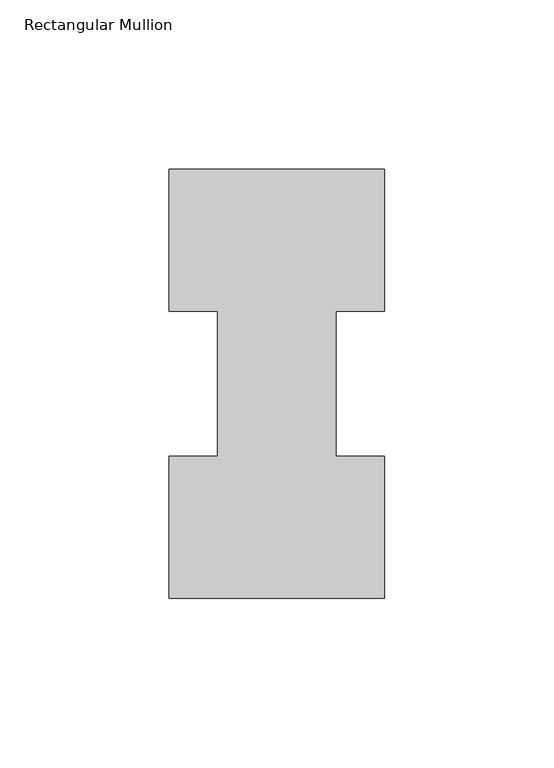
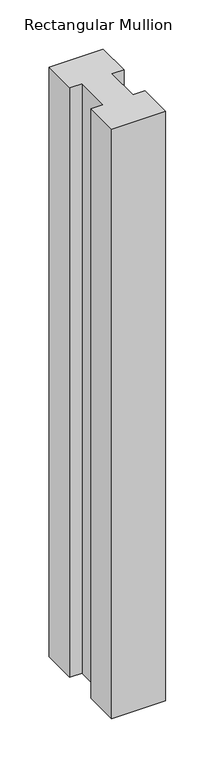
"""IFC4 building model written with IfcOpenShell, lengths in millimetres: member geometry, Rectangular Mullion."""

import ifcopenshell
import ifcopenshell.guid

model = None  # the IFC model being written
_history = None  # IfcOwnerHistory: only IFC2X3 demands one
_inside = {}  # id of a spatial element -> (the spatial element, [elements in it])
_under = {}  # id of a project, library or spatial element -> (it, [spatial elements below it])
_declared = {}  # id of a project -> (the project, [libraries it declares])
_typed = {}  # id of a type object -> (the type object, [elements of that type])
_made_of = {}  # id of a material, layer set ... -> (it, [elements and type objects made of it])


def new_model(schema):
    """Start an empty IFC model of exactly this schema.

    Asked for "IFC4X3", IfcOpenShell would pick the latest addendum, in which some entities
    have other attributes; the version numbers below select the first issue.
    IFC2X3 requires an IfcOwnerHistory on every rooted entity: one is made here for all.
    """
    global model, _history
    if schema == "IFC4X3":
        model = ifcopenshell.file(schema_version=(4, 3, 0, 0))
    else:
        model = ifcopenshell.file(schema=schema)
    _inside.clear()
    _under.clear()
    _declared.clear()
    _typed.clear()
    _made_of.clear()
    _history = None
    if model.schema == "IFC2X3":
        org = make("IfcOrganization", Name="unknown")
        user = make(
            "IfcPersonAndOrganization",
            ThePerson=make("IfcPerson", FamilyName="unknown"),
            TheOrganization=org,
        )
        app = make(
            "IfcApplication",
            ApplicationDeveloper=org,
            Version="unknown",
            ApplicationFullName="unknown",
            ApplicationIdentifier="unknown",
        )
        _history = make(
            "IfcOwnerHistory",
            OwningUser=user,
            OwningApplication=app,
            ChangeAction="ADDED",
            CreationDate=0,
        )
    return model


def make(cls, **values):
    """One entity of the class cls with the attributes given. An attribute that is None is left unset."""
    return model.create_entity(
        cls, **{name: value for name, value in values.items() if value is not None}
    )


def rooted(cls, **values):
    """An entity with a GlobalId (a new one), such as an element, a storey or a relation."""
    return make(cls, GlobalId=ifcopenshell.guid.new(), OwnerHistory=_history, **values)


def si_unit(unit_type, name, prefix=None):
    """IfcSIUnit, for example si_unit("LENGTHUNIT", "METRE", prefix="MILLI")."""
    return make("IfcSIUnit", UnitType=unit_type, Prefix=prefix, Name=name)


def assignment(units):
    """IfcUnitAssignment: the units of a project."""
    return None if units is None else make("IfcUnitAssignment", Units=units)


def point(xyz):
    """IfcCartesianPoint."""
    return None if xyz is None else make("IfcCartesianPoint", Coordinates=xyz)


def direction(xyz):
    """IfcDirection."""
    return None if xyz is None else make("IfcDirection", DirectionRatios=xyz)


def frame(location, z_axis=None, x_axis=None):
    """IfcAxis2Placement3D, a coordinate frame: its origin and axes. An axis left out is left unset."""
    return make(
        "IfcAxis2Placement3D",
        Location=point(location),
        Axis=direction(z_axis),
        RefDirection=direction(x_axis),
    )


def origin():
    """The frame at (0, 0, 0) with its axes left unset."""
    return frame((0.0, 0.0, 0.0))


def place(relative_to, where):
    """IfcLocalPlacement: puts the frame where relative to a parent placement (None: the world)."""
    return make(
        "IfcLocalPlacement", PlacementRelTo=relative_to, RelativePlacement=where
    )


def context(
    kind, dimensions, precision=None, world=None, true_north=None, identifier=None
):
    """IfcGeometricRepresentationContext, for example the 3D "Model" context."""
    return make(
        "IfcGeometricRepresentationContext",
        ContextIdentifier=identifier,
        ContextType=kind,
        CoordinateSpaceDimension=dimensions,
        Precision=precision,
        WorldCoordinateSystem=world,
        TrueNorth=true_north,
    )


def project(units=None, contexts=None):
    """IfcProject with its units and contexts."""
    return rooted(
        "IfcProject",
        Name="project",
        RepresentationContexts=contexts,
        UnitsInContext=assignment(units),
    )


def spatial(cls, under=None, at=None, **own):
    """A site, building, storey or space (cls), placed at a placement, below another one or the project."""
    s = rooted(cls, ObjectPlacement=at, **own)
    if under is not None:
        _under.setdefault(under.id(), (under, []))[1].append(s)
    return s


def polyline(points):
    """IfcPolyline through the points."""
    return make("IfcPolyline", Points=[point(p) for p in points])


def outline(outer, holes=None, kind="AREA"):
    """IfcArbitraryClosedProfileDef: a profile drawn as a closed curve; with holes, ...WithVoids."""
    if holes is None:
        return make("IfcArbitraryClosedProfileDef", ProfileType=kind, OuterCurve=outer)
    return make(
        "IfcArbitraryProfileDefWithVoids",
        ProfileType=kind,
        OuterCurve=outer,
        InnerCurves=holes,
    )


def extrude(swept, where, along, depth):
    """IfcExtrudedAreaSolid: the profile swept, set in the frame where, extruded along a direction by depth."""
    return make(
        "IfcExtrudedAreaSolid",
        SweptArea=swept,
        Position=where,
        ExtrudedDirection=direction(along),
        Depth=depth,
    )


def shape(context_of_items, identifier, shape_type, items):
    """IfcShapeRepresentation: the items that make up one representation, for example the "Body"."""
    return make(
        "IfcShapeRepresentation",
        ContextOfItems=context_of_items,
        RepresentationIdentifier=identifier,
        RepresentationType=shape_type,
        Items=items,
    )


def source(mapping_origin, context_of_items, identifier, shape_type, items):
    """IfcRepresentationMap: a shape defined once, which mapped items show again and again."""
    return make(
        "IfcRepresentationMap",
        MappingOrigin=mapping_origin,
        MappedRepresentation=shape(context_of_items, identifier, shape_type, items),
    )


def transform(
    local_origin,
    x_axis=None,
    y_axis=None,
    z_axis=None,
    scale=None,
    scale2=None,
    scale3=None,
    uniform=True,
):
    """IfcCartesianTransformationOperator3D, or its non-uniform kind. x_axis, y_axis, z_axis: its Axis1, 2, 3."""
    if uniform:
        return make(
            "IfcCartesianTransformationOperator3D",
            Axis1=direction(x_axis),
            Axis2=direction(y_axis),
            LocalOrigin=point(local_origin),
            Scale=scale,
            Axis3=direction(z_axis),
        )
    return make(
        "IfcCartesianTransformationOperator3DnonUniform",
        Axis1=direction(x_axis),
        Axis2=direction(y_axis),
        LocalOrigin=point(local_origin),
        Scale=scale,
        Axis3=direction(z_axis),
        Scale2=scale2,
        Scale3=scale3,
    )


def mapped(mapping_source, mapping_target):
    """IfcMappedItem: shows the shape of a source again, moved by a transform."""
    return make(
        "IfcMappedItem", MappingSource=mapping_source, MappingTarget=mapping_target
    )


def made_of(thing, what):
    """Note that an element or type object is made of a material, layer set ...; save() writes the relation."""
    if what is not None:
        _made_of.setdefault(what.id(), (what, []))[1].append(thing)
    return thing


def element(
    cls,
    number,
    at=None,
    inside=None,
    cuts=None,
    type_object=None,
    material=None,
    context=None,
    identifier="Body",
    shape_type=None,
    held_by="IfcProductDefinitionShape",
    body=None,
    shapes=None,
    **own,
):
    """One element of the class cls, such as IfcWall. Its Tag is "e" and its number.

    at: its placement. inside: the storey or other place that contains it. cuts: it is an
    opening in that element (IfcRelVoidsElement). A single representation is given by context,
    identifier, shape_type and body (its items); several are given by shapes. held_by: the class
    of the entity that holds the representations. save() writes the other relations.
    """
    e = rooted(cls, Tag="e%d" % number, ObjectPlacement=at, **own)
    if body is not None:
        shapes = [shape(context, identifier, shape_type, body)]
    if shapes is not None:
        e.Representation = make(held_by, Representations=shapes)
    if inside is not None:
        _inside.setdefault(inside.id(), (inside, []))[1].append(e)
    if cuts is not None:
        rooted(
            "IfcRelVoidsElement", RelatingBuildingElement=cuts, RelatedOpeningElement=e
        )
    if type_object is not None:
        _typed.setdefault(type_object.id(), (type_object, []))[1].append(e)
    return made_of(e, material)


def aggregate(whole, parts):
    """IfcRelAggregates: a whole, such as a stair, and the parts it consists of."""
    return rooted("IfcRelAggregates", RelatingObject=whole, RelatedObjects=parts)


def save(model, path):
    """Write the relations noted so far, then the file.

    IfcRelAggregates (storeys below a building ...), IfcRelContainedInSpatialStructure (elements
    in a storey), IfcRelDefinesByType, IfcRelAssociatesMaterial and IfcRelDeclares: one each for
    every whole, place, type object, material and project.
    """
    for whole, parts in _under.values():
        aggregate(whole, parts)
    for where, things in _inside.values():
        rooted(
            "IfcRelContainedInSpatialStructure",
            RelatedElements=things,
            RelatingStructure=where,
        )
    for kind, things in _typed.values():
        rooted("IfcRelDefinesByType", RelatedObjects=things, RelatingType=kind)
    for what, things in _made_of.values():
        rooted("IfcRelAssociatesMaterial", RelatedObjects=things, RelatingMaterial=what)
    for by, libraries in _declared.values():
        rooted("IfcRelDeclares", RelatingContext=by, RelatedDefinitions=libraries)
    model.write(path)


def rectangular_mullion_5c1465a3(model_context):
    return source(origin(), model_context, "Body", "SweptSolid", [
        extrude(outline(polyline([(-63.5, 0.2967757), (-63.5, 42.1178757), (-49.2125, 42.1178757), (-49.2125, 84.93125), (-63.5, 84.93125), (-63.5, 126.7887757), (0.0, 126.7887757), (0.0, 84.93125), (-14.2748, 84.93125), (-14.2748, 42.1178757), (0.0, 42.1178757), (0.0, 0.2967757), (-63.5, 0.2967757)])), frame((0.0, 0.0, -730.21825), z_axis=(0.0, 0.0, 1.0), x_axis=(1.0, 0.0, 0.0)), (0.0, 0.0, 1.0), 730.21825),
    ])


if __name__ == "__main__":
    model = new_model("IFC4")
    model_context = context("Model", 3, world=origin())
    ifc_project = project(units=[si_unit("LENGTHUNIT", "METRE", prefix="MILLI")], contexts=[model_context])
    site = spatial("IfcSite", under=ifc_project)
    building = spatial("IfcBuilding", under=site)
    placement = place(None, origin())
    rectangular_mullion_shape = rectangular_mullion_5c1465a3(model_context)
    element("IfcMember", 1, ObjectType="Rectangular Mullion", at=placement, inside=building, context=model_context, shape_type="MappedRepresentation", body=[
        mapped(rectangular_mullion_shape, transform((0.0, 0.0, 0.0), x_axis=(1.0, 0.0, 0.0), y_axis=(0.0, 1.0, 0.0), z_axis=(0.0, 0.0, 1.0))),
    ])
    save(model, "model.ifc")
